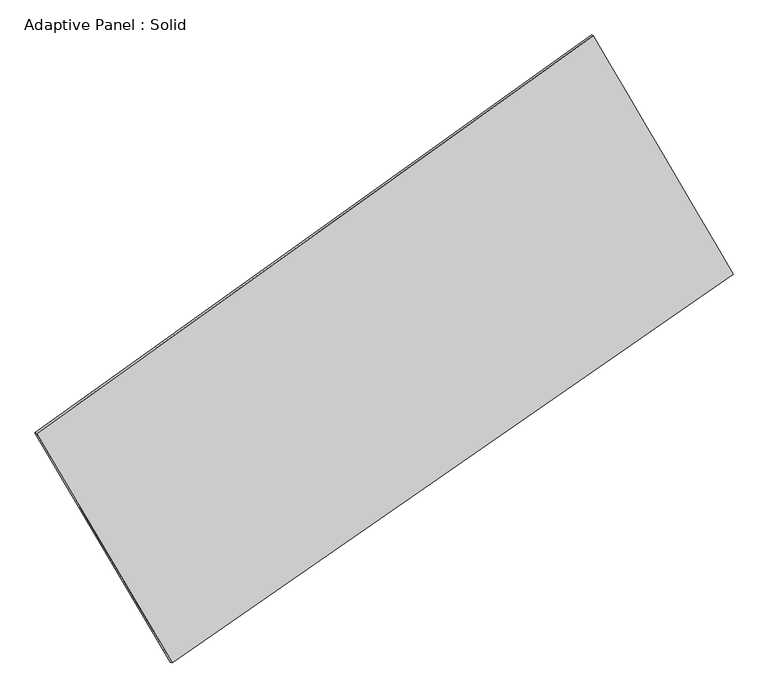
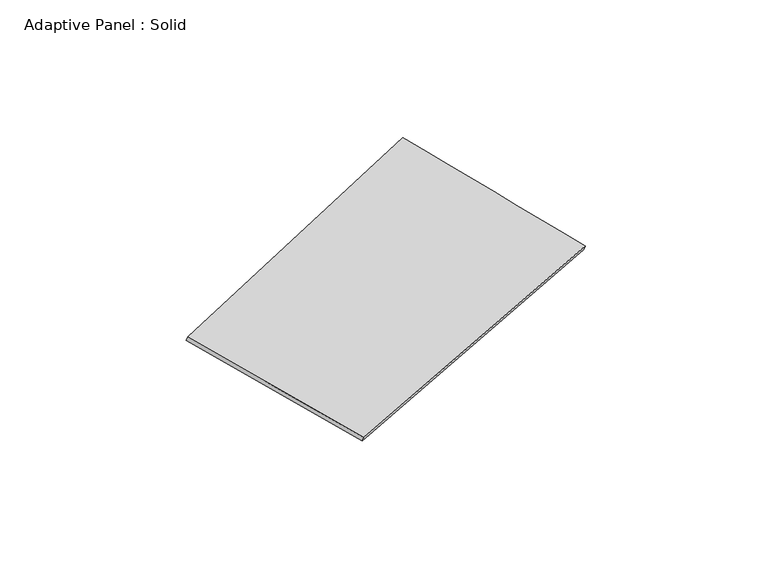
"""IFC4 building model written with IfcOpenShell, lengths in millimetres: plate geometry, Adaptive Panel : Solid."""

from ifc_helpers import new_model, si_unit, frame, origin, place, context, project, spatial, source, transform, mapped, element, save
from ifc_brep_helpers import plane_surface, spline_surface, advanced_brep


def adaptive_panel_solid_a8e59d3c(model_context):
    return source(origin(), model_context, "Body", "AdvancedBrep", [
        advanced_brep(
        [(1127.349443, 2580.3230418, 692.914673), (-3595.9248716, -795.9890353, 1677.7031753), (-3581.2585158, -802.3691288, 1725.0760833), (1142.0157989, 2573.9429484, 740.2875811), (-2446.8460898, -2741.0520646, 1083.2733211), (-2432.179734, -2747.4321581, 1130.6462291), (2312.1309402, 556.4694853, 31.2313508), (2326.797296, 550.0893918, 78.6042588)],
        [
            (0, 1),
            (1, 2),
            (2, 3),
            (3, 0),
            (1, 4),
            (4, 5),
            (5, 2),
            (4, 6),
            (6, 7),
            (7, 5),
            (6, 0),
            (3, 7),
        ],
        [
            plane_surface(frame((-1234.2877143, 892.1670033, 1185.3089242), z_axis=(-0.521879770863927, 0.8089861420275959, 0.270523431092986), x_axis=(-0.8020700806441177, -0.5733393234454001, 0.16722920177621345))),
            plane_surface(frame((-3021.3854807, -1768.52055, 1380.4882482), z_axis=(-0.8213970784386619, -0.5407152466042751, 0.18147689004969378), x_axis=(0.49189551726427494, -0.8326389800797632, -0.2544624313077338))),
            plane_surface(frame((-67.3575748, -1092.2912897, 557.252336), z_axis=(0.5081144960964379, -0.8186744050043687, -0.2675665850725873), x_axis=(0.8087196653061076, 0.5603663365872863, -0.17877939413400432))),
            plane_surface(frame((1719.7401916, 1568.3962636, 362.0730119), z_axis=(0.8216122391395526, 0.5403493213526235, -0.1815927845754064), x_axis=(-0.4862234434988283, 0.8305709092583557, 0.27154875747439916))),
            spline_surface(1, 1, [[(-3581.2585158, -802.3691288, 1725.0760833), (1142.0157989, 2573.9429484, 740.2875811)], [(-2432.179734, -2747.4321581, 1130.6462291), (2326.797296, 550.0893918, 78.6042588)]], [2, 2], [2, 2], [0.0, 1.0], [0.0, 1.0]),
            spline_surface(1, 1, [[(2312.1309402, 556.4694853, 31.2313508), (1127.349443, 2580.3230418, 692.914673)], [(-2446.8460898, -2741.0520646, 1083.2733211), (-3595.9248716, -795.9890353, 1677.7031753)]], [2, 2], [2, 2], [0.0, 1.0], [0.0, 1.0]),
        ],
        [
            (0, [[1, 2, 3, 4]]),
            (1, [[5, 6, 7, -2]]),
            (2, [[8, 9, 10, -6]]),
            (3, [[11, -4, 12, -9]]),
            (4, [[-3, -7, -10, -12]]),
            (5, [[-11, -8, -5, -1]]),
        ],
    ),
    ])


if __name__ == "__main__":
    model = new_model("IFC4")
    model_context = context("Model", 3, world=origin())
    ifc_project = project(units=[si_unit("LENGTHUNIT", "METRE", prefix="MILLI")], contexts=[model_context])
    site = spatial("IfcSite", under=ifc_project)
    building = spatial("IfcBuilding", under=site)
    placement = place(None, origin())
    adaptive_panel_solid_shape = adaptive_panel_solid_a8e59d3c(model_context)
    element("IfcPlate", 1, ObjectType="Adaptive Panel : Solid", at=placement, inside=building, context=model_context, shape_type="MappedRepresentation", body=[
        mapped(adaptive_panel_solid_shape, transform((0.0, 0.0, 0.0), x_axis=(1.0, 0.0, 0.0), y_axis=(0.0, 1.0, 0.0), z_axis=(0.0, 0.0, 1.0))),
    ])
    save(model, "model.ifc")
